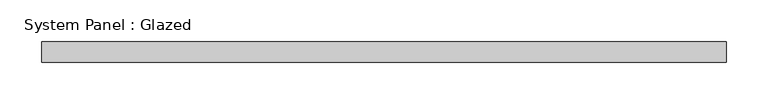
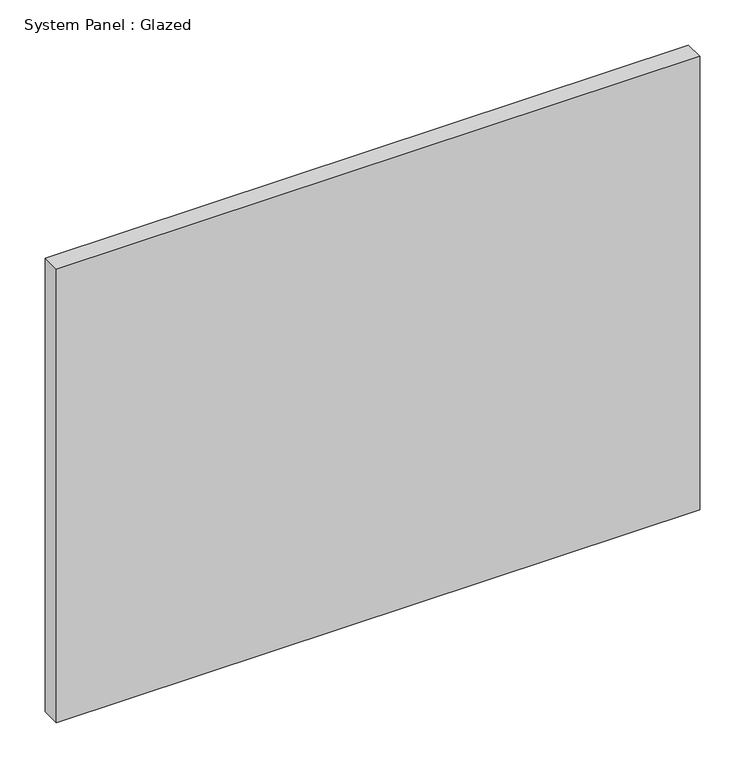
"""IFC4 building model written with IfcOpenShell, lengths in millimetres: plate geometry, System Panel : Glazed."""

from ifc_helpers import new_model, si_unit, origin, origin_with_axes, place, context, project, spatial, polyline, outline, extrude, source, transform, mapped, element, save


def system_panel_glazed_5a3594bb(model_context):
    return source(origin(), model_context, "Body", "SweptSolid", [
        extrude(outline(polyline([(412.5, 24.5), (-412.5, 24.5), (-412.5, 49.5), (412.5, 49.5), (412.5, 24.5)])), origin_with_axes(), (0.0, 0.0, 1.0), 615.0),
    ])


if __name__ == "__main__":
    model = new_model("IFC4")
    model_context = context("Model", 3, world=origin())
    ifc_project = project(units=[si_unit("LENGTHUNIT", "METRE", prefix="MILLI")], contexts=[model_context])
    site = spatial("IfcSite", under=ifc_project)
    building = spatial("IfcBuilding", under=site)
    placement = place(None, origin())
    system_panel_glazed_shape = system_panel_glazed_5a3594bb(model_context)
    element("IfcPlate", 1, ObjectType="System Panel : Glazed", at=placement, inside=building, context=model_context, shape_type="MappedRepresentation", body=[
        mapped(system_panel_glazed_shape, transform((0.0, 0.0, 0.0), x_axis=(1.0, 0.0, 0.0), y_axis=(0.0, 1.0, 0.0), z_axis=(0.0, 0.0, 1.0))),
    ])
    save(model, "model.ifc")
